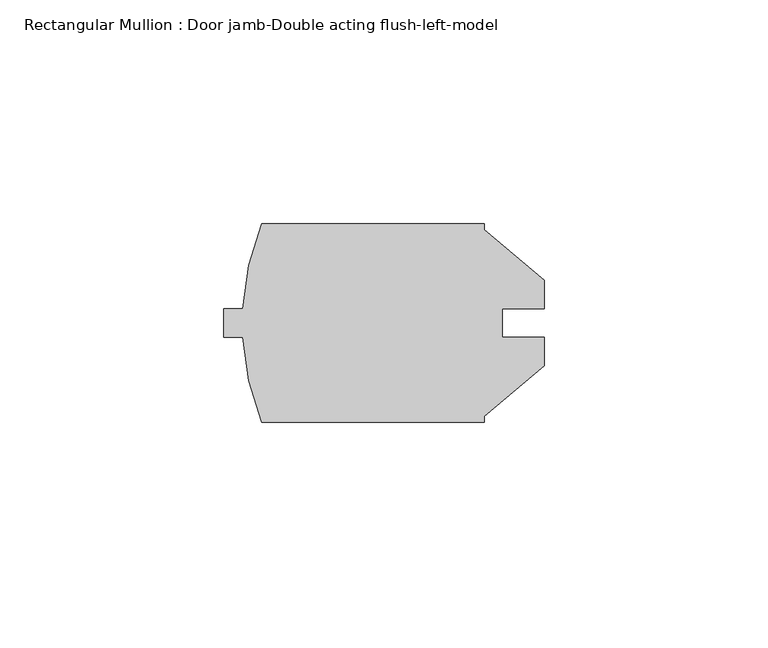
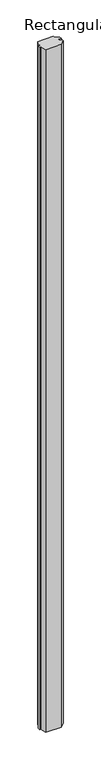
"""IFC4 building model written with IfcOpenShell, lengths in millimetres: member geometry, Rectangular Mullion : Door jamb-Double acting flush-left-model."""

from ifc_helpers import new_model, si_unit, point, frame, frame_2d, origin, place, context, project, spatial, polyline, circle_curve, trimmed, segment, composite_curve, outline, extrude, source, transform, mapped, element, save


def rectangular_mullion_door_jamb_double_acting_flush_left_model_58782252(model_context):
    return source(origin(), model_context, "Body", "SweptSolid", [
        extrude(outline(composite_curve([segment(polyline([(58.2422, -28.575), (58.2422, -29.9717067), (71.7042, -41.267666), (71.7042, -47.6379379), (62.2808, -47.6379379), (62.2808, -53.9620621), (71.7042, -53.9620621), (71.7042, -60.332334), (58.2422, -71.6282933), (58.2422, -73.025), (8.520196, -73.025)]), True, "CONTINUOUS"), segment(trimmed(circle_curve(frame_2d((62.8769022, -50.8)), 58.7248), [point((8.520196, -73.025))], [point((4.2379944, -53.9750013))], False, "CARTESIAN"), True, "CONTINUOUS"), segment(polyline([(4.2379944, -53.9750013), (0.0, -53.9750013), (0.0, -47.6250013), (4.2379943, -47.6250013)]), True, "CONTINUOUS"), segment(trimmed(circle_curve(frame_2d((62.8769022, -50.8)), 58.7248), [point((4.2379943, -47.6250013))], [point((8.5201959, -28.575))], False, "CARTESIAN"), True, "CONTINUOUS"), segment(polyline([(8.5201959, -28.575), (58.2422, -28.575)]), True, "CONTINUOUS")], self_intersect=False)), frame((0.0, 0.0, -2286.0), z_axis=(0.0, 0.0, 1.0), x_axis=(1.0, 0.0, 0.0)), (0.0, 0.0, 1.0), 2286.0),
    ])


if __name__ == "__main__":
    model = new_model("IFC4")
    model_context = context("Model", 3, world=origin())
    ifc_project = project(units=[si_unit("LENGTHUNIT", "METRE", prefix="MILLI")], contexts=[model_context])
    site = spatial("IfcSite", under=ifc_project)
    building = spatial("IfcBuilding", under=site)
    placement = place(None, origin())
    rectangular_mullion_door_jamb_double_acting_flush_left_model_shape = rectangular_mullion_door_jamb_double_acting_flush_left_model_58782252(model_context)
    element("IfcMember", 1, ObjectType="Rectangular Mullion : Door jamb-Double acting flush-left-model", at=placement, inside=building, context=model_context, shape_type="MappedRepresentation", body=[
        mapped(rectangular_mullion_door_jamb_double_acting_flush_left_model_shape, transform((0.0, 0.0, 0.0), x_axis=(1.0, 0.0, 0.0), y_axis=(0.0, 1.0, 0.0), z_axis=(0.0, 0.0, 1.0))),
    ])
    save(model, "model.ifc")
